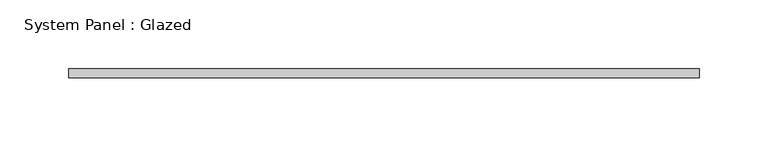
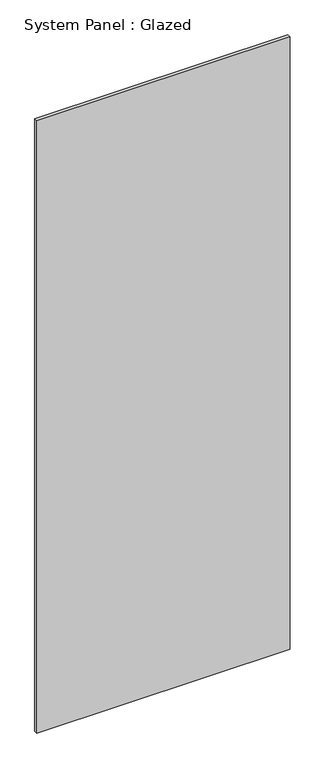
"""IFC4 building model written with IfcOpenShell, lengths in millimetres: plate geometry, System Panel : Glazed."""

from ifc_helpers import new_model, si_unit, origin, origin_with_axes, place, context, project, spatial, polyline, outline, extrude, source, transform, mapped, element, save


def system_panel_glazed_58723437(model_context):
    return source(origin(), model_context, "Body", "SweptSolid", [
        extrude(outline(polyline([(228.6, -34.925), (-228.6, -34.925), (-228.6, -28.575), (228.6, -28.575), (228.6, -34.925)])), origin_with_axes(), (0.0, 0.0, 1.0), 1168.4),
    ])


if __name__ == "__main__":
    model = new_model("IFC4")
    model_context = context("Model", 3, world=origin())
    ifc_project = project(units=[si_unit("LENGTHUNIT", "METRE", prefix="MILLI")], contexts=[model_context])
    site = spatial("IfcSite", under=ifc_project)
    building = spatial("IfcBuilding", under=site)
    placement = place(None, origin())
    system_panel_glazed_shape = system_panel_glazed_58723437(model_context)
    element("IfcPlate", 1, ObjectType="System Panel : Glazed", at=placement, inside=building, context=model_context, shape_type="MappedRepresentation", body=[
        mapped(system_panel_glazed_shape, transform((0.0, 0.0, 0.0), x_axis=(1.0, 0.0, 0.0), y_axis=(0.0, 1.0, 0.0), z_axis=(0.0, 0.0, 1.0))),
    ])
    save(model, "model.ifc")
